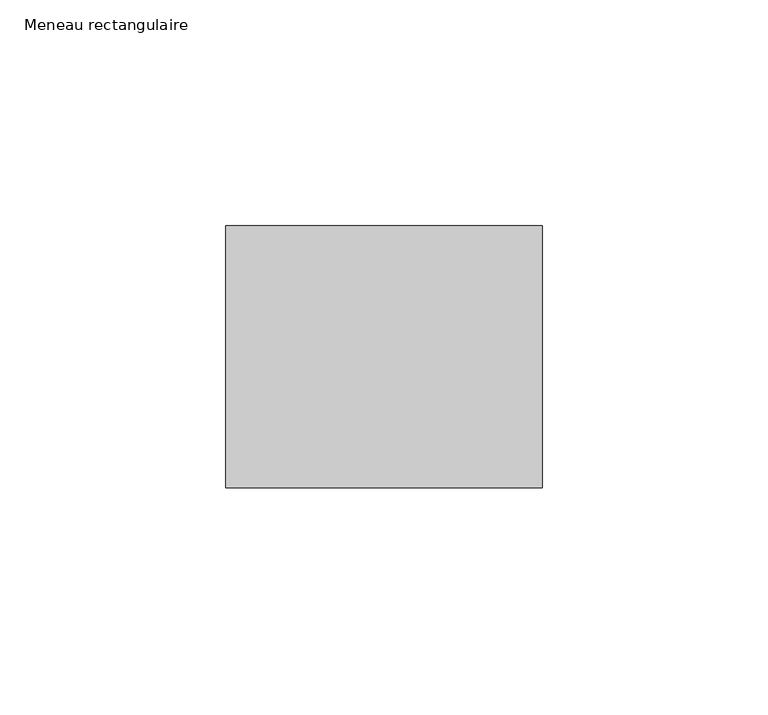
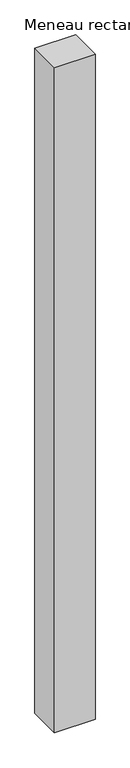
"""IFC4 building model written with IfcOpenShell, lengths in millimetres: member geometry, Meneau rectangulaire."""

from ifc_helpers import new_model, si_unit, frame, origin, place, context, project, spatial, polyline, outline, extrude, source, transform, mapped, element, save


def meneau_rectangulaire_63655727(model_context):
    return source(origin(), model_context, "Body", "SweptSolid", [
        extrude(outline(polyline([(0.0, 29.0), (0.0, -29.0), (-70.0, -29.0), (-70.0, 29.0), (0.0, 29.0)])), frame((0.0, 0.0, -1210.2499998), z_axis=(0.0, 0.0, 1.0), x_axis=(1.0, 0.0, 0.0)), (0.0, 0.0, 1.0), 1210.2499998),
    ])


if __name__ == "__main__":
    model = new_model("IFC4")
    model_context = context("Model", 3, world=origin())
    ifc_project = project(units=[si_unit("LENGTHUNIT", "METRE", prefix="MILLI")], contexts=[model_context])
    site = spatial("IfcSite", under=ifc_project)
    building = spatial("IfcBuilding", under=site)
    placement = place(None, origin())
    meneau_rectangulaire_shape = meneau_rectangulaire_63655727(model_context)
    element("IfcMember", 1, ObjectType="Meneau rectangulaire", at=placement, inside=building, context=model_context, shape_type="MappedRepresentation", body=[
        mapped(meneau_rectangulaire_shape, transform((0.0, 0.0, 0.0), x_axis=(1.0, 0.0, 0.0), y_axis=(0.0, 1.0, 0.0), z_axis=(0.0, 0.0, 1.0))),
    ])
    save(model, "model.ifc")
